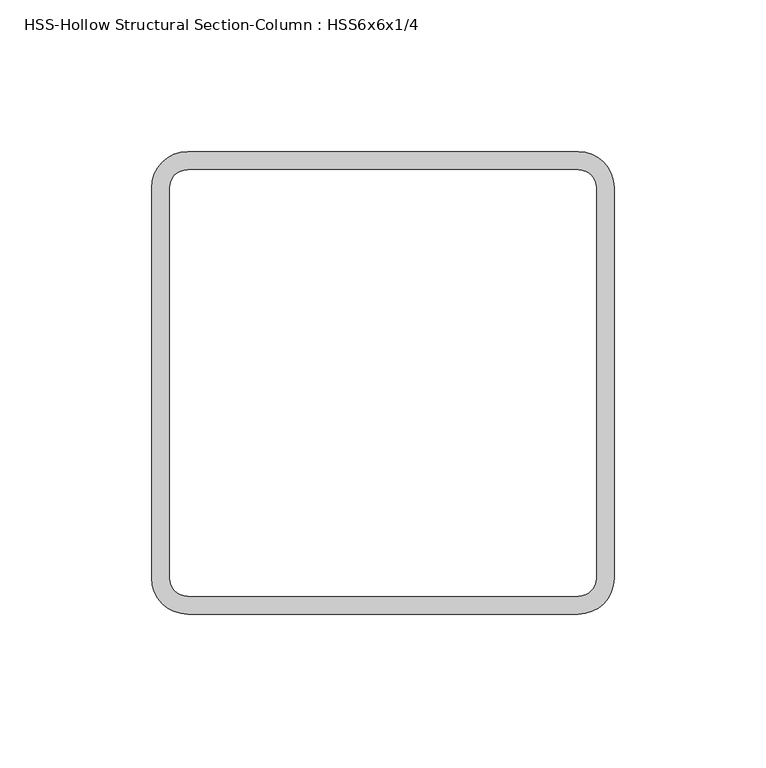
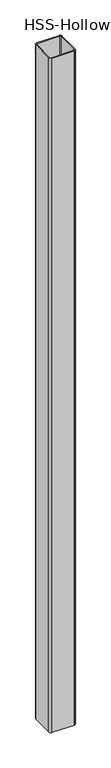
"""IFC4 building model written with IfcOpenShell, lengths in millimetres: column geometry, HSS-Hollow Structural Section-Column : HSS6x6x1/4."""

from ifc_helpers import new_model, si_unit, point, frame, frame_2d, origin, place, context, project, spatial, polyline, circle_curve, trimmed, segment, composite_curve, outline, extrude, source, transform, mapped, element, save


def hss_hollow_structural_section_column_hss6x6x1_4_e794ac09(model_context):
    return source(origin(), model_context, "Body", "SweptSolid", [
        extrude(outline(composite_curve([segment(trimmed(circle_curve(frame_2d((64.3636, 64.3636)), 11.8364), [point((64.3636, 76.2))], [point((76.2, 64.3636))], False, "CARTESIAN"), True, "CONTINUOUS"), segment(polyline([(76.2, 64.3636), (76.2, -64.3636)]), True, "CONTINUOUS"), segment(trimmed(circle_curve(frame_2d((64.3636, -64.3636)), 11.8364), [point((76.2, -64.3636))], [point((64.3636, -76.2))], False, "CARTESIAN"), True, "CONTINUOUS"), segment(polyline([(64.3636, -76.2), (-64.3636, -76.2)]), True, "CONTINUOUS"), segment(trimmed(circle_curve(frame_2d((-64.3636, -64.3636)), 11.8364), [point((-64.3636, -76.2))], [point((-76.2, -64.3636))], False, "CARTESIAN"), True, "CONTINUOUS"), segment(polyline([(-76.2, -64.3636), (-76.2, 64.3636)]), True, "CONTINUOUS"), segment(trimmed(circle_curve(frame_2d((-64.3636, 64.3636)), 11.8364), [point((-76.2, 64.3636))], [point((-64.3636, 76.2))], False, "CARTESIAN"), True, "CONTINUOUS"), segment(polyline([(-64.3636, 76.2), (64.3636, 76.2)]), True, "CONTINUOUS")], self_intersect=False), holes=[composite_curve([segment(polyline([(64.3636, 70.2818), (-64.3636, 70.2818)]), True, "CONTINUOUS"), segment(trimmed(circle_curve(frame_2d((-64.3636, 64.3636)), 5.9182), [point((-64.3636, 70.2818))], [point((-70.2818, 64.3636))], True, "CARTESIAN"), True, "CONTINUOUS"), segment(polyline([(-70.2818, 64.3636), (-70.2818, -64.3636)]), True, "CONTINUOUS"), segment(trimmed(circle_curve(frame_2d((-64.3636, -64.3636)), 5.9182), [point((-70.2818, -64.3636))], [point((-64.3636, -70.2818))], True, "CARTESIAN"), True, "CONTINUOUS"), segment(polyline([(-64.3636, -70.2818), (64.3636, -70.2818)]), True, "CONTINUOUS"), segment(trimmed(circle_curve(frame_2d((64.3636, -64.3636)), 5.9182), [point((64.3636, -70.2818))], [point((70.2818, -64.3636))], True, "CARTESIAN"), True, "CONTINUOUS"), segment(polyline([(70.2818, -64.3636), (70.2818, 64.3636)]), True, "CONTINUOUS"), segment(trimmed(circle_curve(frame_2d((64.3636, 64.3636)), 5.9182), [point((70.2818, 64.3636))], [point((64.3636, 70.2818))], True, "CARTESIAN"), True, "CONTINUOUS")], self_intersect=False)]), frame((0.0, 0.0, 14478.0), z_axis=(0.0, 0.0, 1.0), x_axis=(1.0, 0.0, 0.0)), (0.0, 0.0, 1.0), 4114.8),
    ])


if __name__ == "__main__":
    model = new_model("IFC4")
    model_context = context("Model", 3, world=origin())
    ifc_project = project(units=[si_unit("LENGTHUNIT", "METRE", prefix="MILLI")], contexts=[model_context])
    site = spatial("IfcSite", under=ifc_project)
    building = spatial("IfcBuilding", under=site)
    placement = place(None, origin())
    hss_hollow_structural_section_column_hss6x6x1_4_shape = hss_hollow_structural_section_column_hss6x6x1_4_e794ac09(model_context)
    element("IfcColumn", 1, ObjectType="HSS-Hollow Structural Section-Column : HSS6x6x1/4", at=placement, inside=building, context=model_context, shape_type="MappedRepresentation", body=[
        mapped(hss_hollow_structural_section_column_hss6x6x1_4_shape, transform((0.0, 0.0, 0.0), x_axis=(1.0, 0.0, 0.0), y_axis=(0.0, 1.0, 0.0), z_axis=(0.0, 0.0, 1.0))),
    ])
    save(model, "model.ifc")
